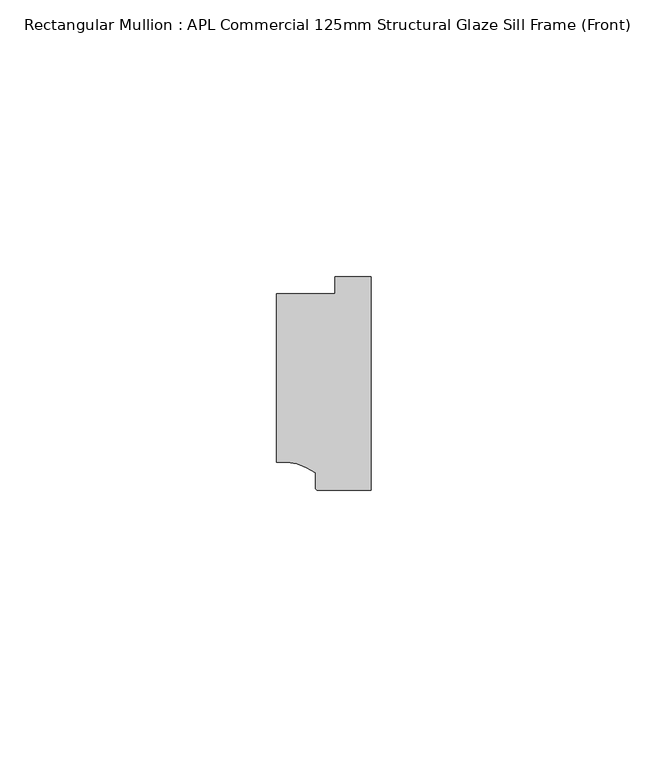
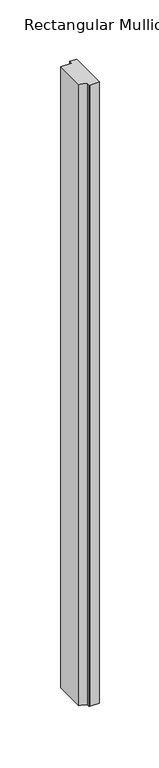
"""IFC4 building model written with IfcOpenShell, lengths in millimetres: member geometry, Rectangular Mullion : APL Commercial 125mm Structural Glaze Sill Frame (Front)."""

from ifc_helpers import new_model, si_unit, point, frame, frame_2d, origin, place, context, project, spatial, polyline, circle_curve, trimmed, segment, composite_curve, outline, extrude, source, transform, mapped, element, save


def rectangular_mullion_apl_commercial_125mm_structural_glaze_cc29d1fd(model_context):
    return source(origin(), model_context, "Body", "SweptSolid", [
        extrude(outline(composite_curve([segment(polyline([(-16.999942, -15.3793144), (-16.999942, 15.0004332), (-6.5000029, 15.0004332), (-6.5000029, 18.0281616), (0.0, 18.0281616), (0.0, -20.49978), (-9.5000029, -20.49978)]), True, "CONTINUOUS"), segment(trimmed(circle_curve(frame_2d((-9.5000029, -19.99978)), 0.5), [point((-9.5000029, -20.49978))], [point((-10.0, -19.9980675))], False, "CARTESIAN"), True, "CONTINUOUS"), segment(polyline([(-10.0, -19.9980675), (-10.0, -17.3120901)]), True, "CONTINUOUS"), segment(trimmed(circle_curve(frame_2d((-16.1098048, -25.7977481)), 10.4563907), [point((-10.0, -17.3120901))], [point((-16.999942, -15.3793144))], True, "CARTESIAN"), True, "CONTINUOUS")], self_intersect=False)), frame((0.0, 0.0, -641.1423736), z_axis=(0.0, 0.0, 1.0), x_axis=(1.0, 0.0, 0.0)), (0.0, 0.0, 1.0), 641.1423736),
    ])


if __name__ == "__main__":
    model = new_model("IFC4")
    model_context = context("Model", 3, world=origin())
    ifc_project = project(units=[si_unit("LENGTHUNIT", "METRE", prefix="MILLI")], contexts=[model_context])
    site = spatial("IfcSite", under=ifc_project)
    building = spatial("IfcBuilding", under=site)
    placement = place(None, origin())
    rectangular_mullion_apl_commercial_125mm_structural_glaze_shape = rectangular_mullion_apl_commercial_125mm_structural_glaze_cc29d1fd(model_context)
    element("IfcMember", 1, ObjectType="Rectangular Mullion : APL Commercial 125mm Structural Glaze Sill Frame (Front)", at=placement, inside=building, context=model_context, shape_type="MappedRepresentation", body=[
        mapped(rectangular_mullion_apl_commercial_125mm_structural_glaze_shape, transform((0.0, 0.0, 0.0), x_axis=(1.0, 0.0, 0.0), y_axis=(0.0, 1.0, 0.0), z_axis=(0.0, 0.0, 1.0))),
    ])
    save(model, "model.ifc")
